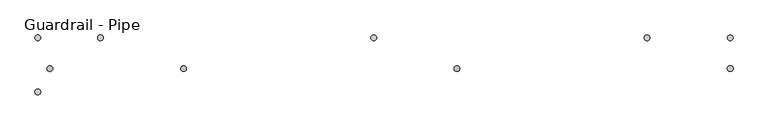
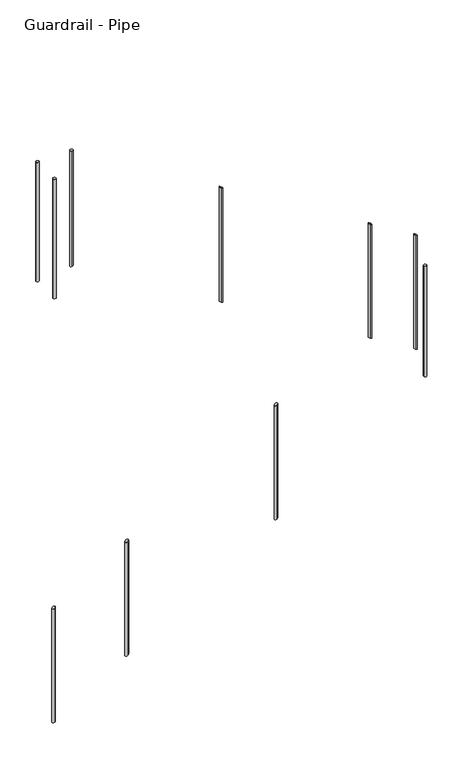
"""IFC4 building model written with IfcOpenShell, lengths in millimetres: railing geometry, Guardrail - Pipe."""

from ifc_helpers import new_model, si_unit, point, frame, frame_2d, origin, place, context, project, spatial, circle_curve, ellipse_curve, trimmed, segment, composite_curve, outline, extrude, source, transform, mapped, element, save
from ifc_brep_helpers import plane_surface, cylinder_surface, advanced_brep


def guardrail_pipe_076e2c06(model_context):
    return source(origin(), model_context, "Body", "SolidModel", [
        advanced_brep(
        [(3325.1452881, -22477.3087769, 1570.1975499), (3325.1452881, -22477.3087769, 588.9862682), (3325.1452881, -22502.7087769, 588.9862682), (3325.1452881, -22502.7087769, 1570.1975499)],
        [
            (0, 1),
            (1, 2, ellipse_curve(frame((3325.1452881, -22490.0087769, 588.9862682), z_axis=(-0.5248480775957494, 0.0, 0.8511959207162864), x_axis=(0.8511959207162864, 0.0, 0.5248480775957489)), 14.9201843, 12.7)),
            (2, 3),
            (3, 0, ellipse_curve(frame((3325.1452881, -22490.0087769, 1570.1975499), z_axis=(0.5248480775957521, 0.0, -0.8511959207162847), x_axis=(0.8511959207162847, 0.0, 0.5248480775957517)), 14.9201843, 12.7)),
            (0, 3, ellipse_curve(frame((3325.1452881, -22490.0087769, 1570.1975499), z_axis=(0.5248480775957521, 0.0, -0.8511959207162847), x_axis=(0.8511959207162847, 0.0, 0.5248480775957517)), 14.9201843, 12.7)),
            (2, 1, ellipse_curve(frame((3325.1452881, -22490.0087769, 588.9862682), z_axis=(-0.5248480775957494, 0.0, 0.8511959207162864), x_axis=(0.8511959207162864, 0.0, 0.5248480775957489)), 14.9201843, 12.7)),
        ],
        [
            cylinder_surface(frame((3325.1452881, -22490.0087769, 360.3862682), z_axis=(0.0, 0.0, 1.0), x_axis=(0.0, -1.0, 0.0)), 12.7),
            plane_surface(frame((3299.7452881, -22515.4087769, 1554.5358898), z_axis=(-0.5248480775957521, 0.0, 0.8511959207162847), x_axis=(0.0, 1.0, 0.0))),
            plane_surface(frame((3350.5452881, -22515.4087769, 604.6479283), z_axis=(0.5248480775957494, 0.0, -0.8511959207162864), x_axis=(0.0, 1.0, 0.0))),
        ],
        [
            (0, [[1, 2, 3, 4]]),
            (0, [[-1, 5, -3, 6]]),
            (1, [[-4, -5]]),
            (2, [[-2, -6]]),
        ],
    ),
        advanced_brep(
        [(4544.3452881, -22477.3087769, 2321.9572337), (4544.3452881, -22477.3087769, 1340.745952), (4544.3452881, -22502.7087769, 1340.745952), (4544.3452881, -22502.7087769, 2321.9572337)],
        [
            (0, 1),
            (1, 2, ellipse_curve(frame((4544.3452881, -22490.0087769, 1340.745952), z_axis=(-0.5248480775957494, 0.0, 0.8511959207162864), x_axis=(0.8511959207162864, 0.0, 0.5248480775957489)), 14.9201843, 12.7)),
            (2, 3),
            (3, 0, ellipse_curve(frame((4544.3452881, -22490.0087769, 2321.9572337), z_axis=(0.5248480775957521, 0.0, -0.8511959207162847), x_axis=(0.8511959207162847, 0.0, 0.5248480775957517)), 14.9201843, 12.7)),
            (0, 3, ellipse_curve(frame((4544.3452881, -22490.0087769, 2321.9572337), z_axis=(0.5248480775957521, 0.0, -0.8511959207162847), x_axis=(0.8511959207162847, 0.0, 0.5248480775957517)), 14.9201843, 12.7)),
            (2, 1, ellipse_curve(frame((4544.3452881, -22490.0087769, 1340.745952), z_axis=(-0.5248480775957494, 0.0, 0.8511959207162864), x_axis=(0.8511959207162864, 0.0, 0.5248480775957489)), 14.9201843, 12.7)),
        ],
        [
            cylinder_surface(frame((4544.3452881, -22490.0087769, 1112.145952), z_axis=(0.0, 0.0, 1.0), x_axis=(0.0, -1.0, 0.0)), 12.7),
            plane_surface(frame((4518.9452881, -22515.4087769, 2306.2955736), z_axis=(-0.5248480775957521, 0.0, 0.8511959207162847), x_axis=(0.0, 1.0, 0.0))),
            plane_surface(frame((4569.7452881, -22515.4087769, 1356.4076121), z_axis=(0.5248480775957494, 0.0, -0.8511959207162864), x_axis=(0.0, 1.0, 0.0))),
        ],
        [
            (0, [[1, 2, 3, 4]]),
            (0, [[-1, 5, -3, 6]]),
            (1, [[-4, -5]]),
            (2, [[-2, -6]]),
        ],
    ),
        advanced_brep(
        [(5392.1904629, -22365.5340928, 3502.9230529), (5392.1904629, -22365.5340928, 2520.2106626), (5392.1904629, -22340.1340928, 2520.2106626), (5392.1904629, -22340.1340928, 3502.9230529)],
        [
            (0, 1),
            (1, 2, ellipse_curve(frame((5392.1904629, -22352.8340928, 2520.2106626), z_axis=(0.5186838304271257, 0.0, 0.8549661303545566), x_axis=(-0.8549661303545566, 0.0, 0.5186838304271257)), 14.8543896, 12.7)),
            (2, 3),
            (3, 0, ellipse_curve(frame((5392.1904629, -22352.8340928, 3502.9230529), z_axis=(-0.5192949402865098, 0.0, -0.8545950883271154), x_axis=(-0.8545950883271154, 0.0, 0.5192949402865099)), 14.860839, 12.7)),
            (0, 3, ellipse_curve(frame((5392.1904629, -22352.8340928, 3502.9230529), z_axis=(-0.5192949402865098, 0.0, -0.8545950883271154), x_axis=(-0.8545950883271154, 0.0, 0.5192949402865099)), 14.860839, 12.7)),
            (2, 1, ellipse_curve(frame((5392.1904629, -22352.8340928, 2520.2106626), z_axis=(0.5186838304271257, 0.0, 0.8549661303545566), x_axis=(-0.8549661303545566, 0.0, 0.5186838304271257)), 14.8543896, 12.7)),
        ],
        [
            cylinder_surface(frame((5392.1904629, -22352.8340928, 2291.6106626), z_axis=(0.0, 0.0, 1.0), x_axis=(0.0, 1.0, 0.0)), 12.7),
            plane_surface(frame((5417.5904629, -22327.4340928, 3487.4887359), z_axis=(0.5192949402865098, 0.0, 0.8545950883271154), x_axis=(0.0, -1.0, 0.0))),
            plane_surface(frame((5366.7904629, -22327.4340928, 2535.620126), z_axis=(-0.5186838304271257, 0.0, -0.8549661303545566), x_axis=(0.0, -1.0, 0.0))),
        ],
        [
            (0, [[1, 2, 3, 4]]),
            (0, [[-1, 5, -3, 6]]),
            (1, [[-4, -5]]),
            (2, [[-2, -6]]),
        ],
    ),
        advanced_brep(
        [(4172.9904629, -22365.5340928, 4243.770268), (4172.9904629, -22365.5340928, 3259.8649058), (4172.9904629, -22340.1340928, 3259.8649058), (4172.9904629, -22340.1340928, 4243.770268)],
        [
            (0, 1),
            (1, 2, ellipse_curve(frame((4172.9904629, -22352.8340928, 3259.8649058), z_axis=(0.5186838304271257, 0.0, 0.8549661303545566), x_axis=(-0.8549661303545566, 0.0, 0.5186838304271257)), 14.8543896, 12.7)),
            (2, 3),
            (3, 0, ellipse_curve(frame((4172.9904629, -22352.8340928, 4243.770268), z_axis=(-0.5192949402865082, 0.0, -0.8545950883271165), x_axis=(-0.8545950883271166, 0.0, 0.5192949402865079)), 14.860839, 12.7)),
            (0, 3, ellipse_curve(frame((4172.9904629, -22352.8340928, 4243.770268), z_axis=(-0.5192949402865082, 0.0, -0.8545950883271165), x_axis=(-0.8545950883271166, 0.0, 0.5192949402865079)), 14.860839, 12.7)),
            (2, 1, ellipse_curve(frame((4172.9904629, -22352.8340928, 3259.8649058), z_axis=(0.5186838304271257, 0.0, 0.8549661303545566), x_axis=(-0.8549661303545566, 0.0, 0.5186838304271257)), 14.8543896, 12.7)),
        ],
        [
            cylinder_surface(frame((4172.9904629, -22352.8340928, 3031.2649058), z_axis=(0.0, 0.0, 1.0), x_axis=(0.0, 1.0, 0.0)), 12.7),
            plane_surface(frame((4198.3904629, -22327.4340928, 4228.335951), z_axis=(0.5192949402865082, 0.0, 0.8545950883271165), x_axis=(0.0, -1.0, 0.0))),
            plane_surface(frame((4147.5904629, -22327.4340928, 3275.2743692), z_axis=(-0.5186838304271257, 0.0, -0.8549661303545566), x_axis=(0.0, -1.0, 0.0))),
        ],
        [
            (0, [[1, 2, 3, 4]]),
            (0, [[-1, 5, -3, 6]]),
            (1, [[-4, -5]]),
            (2, [[-2, -6]]),
        ],
    ),
        extrude(outline(composite_curve([segment(trimmed(circle_curve(frame_2d((5763.5452881, -22490.0087769)), 12.7), [point((5776.2452881, -22490.0087769))], [point((5750.8452881, -22490.0087769))], False, "CARTESIAN"), True, "CONTINUOUS"), segment(trimmed(circle_curve(frame_2d((5763.5452881, -22490.0087769)), 12.7), [point((5750.8452881, -22490.0087769))], [point((5776.2452881, -22490.0087769))], False, "CARTESIAN"), True, "CONTINUOUS")], self_intersect=False)), frame((0.0, 0.0, 2143.5391304), z_axis=(0.0, 0.0, 1.0), x_axis=(1.0, 0.0, 0.0)), (0.0, 0.0, 1.0), 952.5),
        advanced_brep(
        [(5763.5452881, -22365.5340928, 3277.2691913), (5763.5452881, -22365.5340928, 2294.9201671), (5763.5452881, -22340.1340928, 2294.9201671), (5763.5452881, -22340.1340928, 3277.2691913)],
        [
            (0, 1),
            (1, 2, ellipse_curve(frame((5763.5452881, -22352.8340928, 2294.9201671), z_axis=(0.5186838304271254, 0.0, 0.8549661303545569), x_axis=(-0.8549661303545569, 0.0, 0.518683830427125)), 14.8543896, 12.7)),
            (2, 3),
            (3, 0, ellipse_curve(frame((5763.5452881, -22352.8340928, 3277.2691913), z_axis=(-0.5192949402865098, 0.0, -0.8545950883271154), x_axis=(-0.8545950883271154, 0.0, 0.5192949402865099)), 14.860839, 12.7)),
            (0, 3, ellipse_curve(frame((5763.5452881, -22352.8340928, 3277.2691913), z_axis=(-0.5192949402865098, 0.0, -0.8545950883271154), x_axis=(-0.8545950883271154, 0.0, 0.5192949402865099)), 14.860839, 12.7)),
            (2, 1, ellipse_curve(frame((5763.5452881, -22352.8340928, 2294.9201671), z_axis=(0.5186838304271254, 0.0, 0.8549661303545569), x_axis=(-0.8549661303545569, 0.0, 0.518683830427125)), 14.8543896, 12.7)),
        ],
        [
            cylinder_surface(frame((5763.5452881, -22352.8340928, 2066.3201671), z_axis=(0.0, 0.0, 1.0), x_axis=(0.0, 1.0, 0.0)), 12.7),
            plane_surface(frame((5788.9452881, -22327.4340928, 3261.8348744), z_axis=(0.5192949402865098, 0.0, 0.8545950883271154), x_axis=(0.0, -1.0, 0.0))),
            plane_surface(frame((5738.1452881, -22327.4340928, 2310.3296305), z_axis=(-0.5186838304271254, 0.0, -0.8549661303545569), x_axis=(0.0, -1.0, 0.0))),
        ],
        [
            (0, [[1, 2, 3, 4]]),
            (0, [[-1, 5, -3, 6]]),
            (1, [[-4, -5]]),
            (2, [[-2, -6]]),
        ],
    ),
        advanced_brep(
        [(2953.7904629, -22365.5340928, 4991.1), (2953.7904629, -22365.5340928, 3999.5191489), (2953.7904629, -22340.1340928, 3999.5191489), (2953.7904629, -22340.1340928, 4991.1)],
        [
            (0, 1),
            (1, 2, ellipse_curve(frame((2953.7904629, -22352.8340928, 3999.5191489), z_axis=(-0.5186838304271257, 0.0, 0.8549661303545566), x_axis=(0.8549661303545566, 0.0, 0.5186838304271257)), 14.8543896, 12.7)),
            (2, 3),
            (3, 0, circle_curve(frame((2953.7904629, -22352.8340928, 4991.1), z_axis=(0.0, 0.0, -1.0), x_axis=(0.0, 1.0, 0.0)), 12.7)),
            (0, 3, circle_curve(frame((2953.7904629, -22352.8340928, 4991.1), z_axis=(0.0, 0.0, -1.0), x_axis=(0.0, 1.0, 0.0)), 12.7)),
            (2, 1, ellipse_curve(frame((2953.7904629, -22352.8340928, 3999.5191489), z_axis=(-0.5186838304271257, 0.0, 0.8549661303545566), x_axis=(0.8549661303545566, 0.0, 0.5186838304271257)), 14.8543896, 12.7)),
        ],
        [
            cylinder_surface(frame((2953.7904629, -22352.8340928, 3770.9191489), z_axis=(0.0, 0.0, 1.0), x_axis=(0.0, 1.0, 0.0)), 12.7),
            plane_surface(frame((2979.1904629, -22327.4340928, 4991.1), z_axis=(0.0, 0.0, 1.0), x_axis=(0.0, -1.0, 0.0))),
            plane_surface(frame((2928.3904629, -22327.4340928, 3984.1096855), z_axis=(0.5186838304271257, 0.0, -0.8549661303545566), x_axis=(0.0, -1.0, 0.0))),
        ],
        [
            (0, [[1, 2, 3, 4]]),
            (0, [[-1, 5, -3, 6]]),
            (1, [[-4, -5]]),
            (2, [[-2, -6]]),
        ],
    ),
        extrude(outline(composite_curve([segment(trimmed(circle_curve(frame_2d((2674.3904629, -22352.8340928)), 12.7), [point((2661.6904629, -22352.8340928))], [point((2687.0904629, -22352.8340928))], False, "CARTESIAN"), True, "CONTINUOUS"), segment(trimmed(circle_curve(frame_2d((2674.3904629, -22352.8340928)), 12.7), [point((2687.0904629, -22352.8340928))], [point((2661.6904629, -22352.8340928))], False, "CARTESIAN"), True, "CONTINUOUS")], self_intersect=False)), frame((0.0, 0.0, 3962.4), z_axis=(0.0, 0.0, 1.0), x_axis=(1.0, 0.0, 0.0)), (0.0, 0.0, 1.0), 1028.7),
        advanced_brep(
        [(2728.2452881, -22477.3087769, 1202.1485381), (2728.2452881, -22477.3087769, 220.9372564), (2728.2452881, -22502.7087769, 220.9372564), (2728.2452881, -22502.7087769, 1202.1485381)],
        [
            (0, 1),
            (1, 2, ellipse_curve(frame((2728.2452881, -22490.0087769, 220.9372564), z_axis=(-0.5248480775957494, 0.0, 0.8511959207162864), x_axis=(0.8511959207162864, 0.0, 0.5248480775957489)), 14.9201843, 12.7)),
            (2, 3),
            (3, 0, ellipse_curve(frame((2728.2452881, -22490.0087769, 1202.1485381), z_axis=(0.5248480775957521, 0.0, -0.8511959207162847), x_axis=(0.8511959207162847, 0.0, 0.5248480775957517)), 14.9201843, 12.7)),
            (0, 3, ellipse_curve(frame((2728.2452881, -22490.0087769, 1202.1485381), z_axis=(0.5248480775957521, 0.0, -0.8511959207162847), x_axis=(0.8511959207162847, 0.0, 0.5248480775957517)), 14.9201843, 12.7)),
            (2, 1, ellipse_curve(frame((2728.2452881, -22490.0087769, 220.9372564), z_axis=(-0.5248480775957494, 0.0, 0.8511959207162864), x_axis=(0.8511959207162864, 0.0, 0.5248480775957489)), 14.9201843, 12.7)),
        ],
        [
            cylinder_surface(frame((2728.2452881, -22490.0087769, -7.6627436), z_axis=(0.0, 0.0, 1.0), x_axis=(0.0, -1.0, 0.0)), 12.7),
            plane_surface(frame((2702.8452881, -22515.4087769, 1186.486878), z_axis=(-0.5248480775957521, 0.0, 0.8511959207162847), x_axis=(0.0, 1.0, 0.0))),
            plane_surface(frame((2753.6452881, -22515.4087769, 236.5989164), z_axis=(0.5248480775957494, 0.0, -0.8511959207162864), x_axis=(0.0, 1.0, 0.0))),
        ],
        [
            (0, [[1, 2, 3, 4]]),
            (0, [[-1, 5, -3, 6]]),
            (1, [[-4, -5]]),
            (2, [[-2, -6]]),
        ],
    ),
        extrude(outline(composite_curve([segment(trimmed(circle_curve(frame_2d((2674.3904629, -22594.1340928)), 12.7), [point((2661.6904629, -22594.1340928))], [point((2687.0904629, -22594.1340928))], False, "CARTESIAN"), True, "CONTINUOUS"), segment(trimmed(circle_curve(frame_2d((2674.3904629, -22594.1340928)), 12.7), [point((2687.0904629, -22594.1340928))], [point((2661.6904629, -22594.1340928))], False, "CARTESIAN"), True, "CONTINUOUS")], self_intersect=False)), frame((0.0, 0.0, 3962.4), z_axis=(0.0, 0.0, 1.0), x_axis=(1.0, 0.0, 0.0)), (0.0, 0.0, 1.0), 1028.7),
    ])


if __name__ == "__main__":
    model = new_model("IFC4")
    model_context = context("Model", 3, world=origin())
    ifc_project = project(units=[si_unit("LENGTHUNIT", "METRE", prefix="MILLI")], contexts=[model_context])
    site = spatial("IfcSite", under=ifc_project)
    building = spatial("IfcBuilding", under=site)
    placement = place(None, origin())
    guardrail_pipe_shape = guardrail_pipe_076e2c06(model_context)
    element("IfcRailing", 1, ObjectType="Guardrail - Pipe", at=placement, inside=building, context=model_context, shape_type="MappedRepresentation", body=[
        mapped(guardrail_pipe_shape, transform((0.0, 0.0, 0.0), x_axis=(1.0, 0.0, 0.0), y_axis=(0.0, 1.0, 0.0), z_axis=(0.0, 0.0, 1.0))),
    ])
    save(model, "model.ifc")
